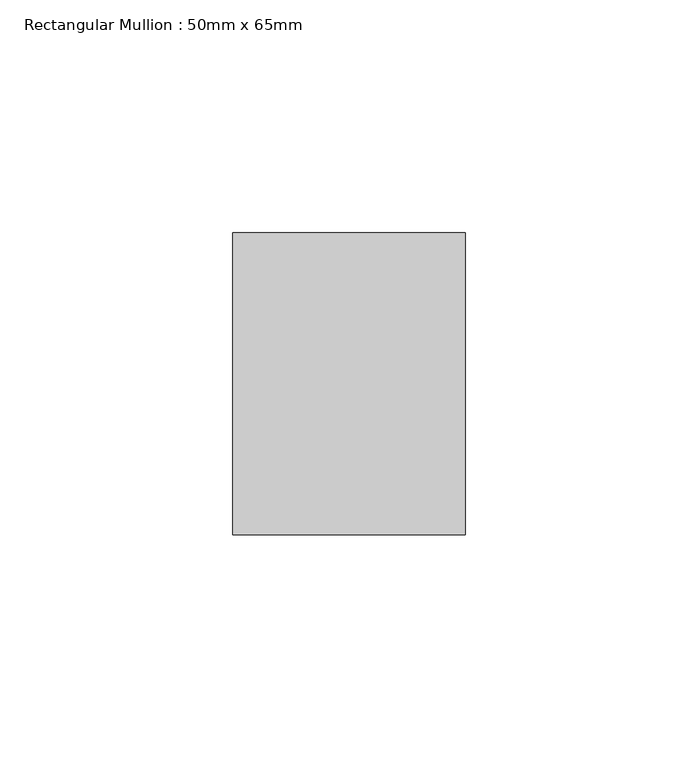
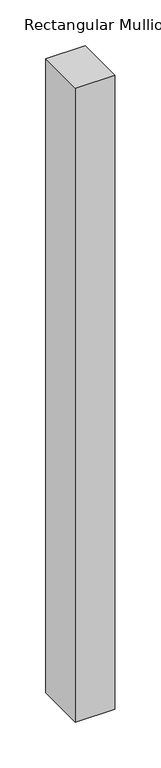
"""IFC4 building model written with IfcOpenShell, lengths in millimetres: member geometry, Rectangular Mullion : 50mm x 65mm."""

from ifc_helpers import new_model, si_unit, frame, origin, place, context, project, spatial, polyline, outline, extrude, source, transform, mapped, element, save


def rectangular_mullion_50mm_x_65mm_a47c007e(model_context):
    return source(origin(), model_context, "Body", "SweptSolid", [
        extrude(outline(polyline([(25.0, 32.5), (25.0, -32.5), (-25.0, -32.5), (-25.0, 32.5), (25.0, 32.5)])), frame((0.0, 0.0, -846.7251637), z_axis=(0.0, 0.0, 1.0), x_axis=(1.0, 0.0, 0.0)), (0.0, 0.0, 1.0), 846.7251637),
    ])


if __name__ == "__main__":
    model = new_model("IFC4")
    model_context = context("Model", 3, world=origin())
    ifc_project = project(units=[si_unit("LENGTHUNIT", "METRE", prefix="MILLI")], contexts=[model_context])
    site = spatial("IfcSite", under=ifc_project)
    building = spatial("IfcBuilding", under=site)
    placement = place(None, origin())
    rectangular_mullion_50mm_x_65mm_shape = rectangular_mullion_50mm_x_65mm_a47c007e(model_context)
    element("IfcMember", 1, ObjectType="Rectangular Mullion : 50mm x 65mm", at=placement, inside=building, context=model_context, shape_type="MappedRepresentation", body=[
        mapped(rectangular_mullion_50mm_x_65mm_shape, transform((0.0, 0.0, 0.0), x_axis=(1.0, 0.0, 0.0), y_axis=(0.0, 1.0, 0.0), z_axis=(0.0, 0.0, 1.0))),
    ])
    save(model, "model.ifc")
